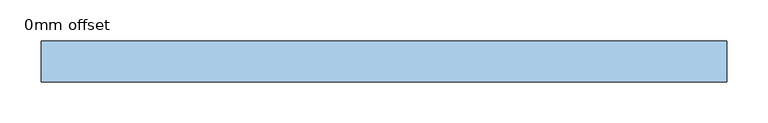
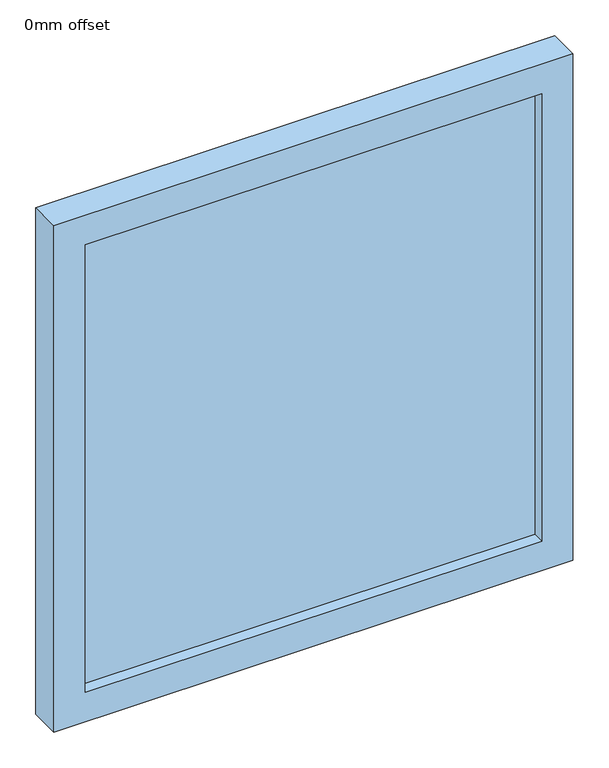
"""IFC4 building model written with IfcOpenShell, lengths in millimetres: window geometry, 0mm offset."""

from ifc_helpers import new_model, si_unit, frame, origin, place, context, project, spatial, polyline, outline, extrude, source, transform, mapped, element, save


def window_0mm_offset_91181af1(model_context):
    return source(origin(), model_context, "Body", "SweptSolid", [
        extrude(outline(polyline([(366.875, -30.95), (-366.875, -30.95), (-366.875, -18.25), (366.875, -18.25), (366.875, -30.95)])), frame((0.0, 0.0, 50.0), z_axis=(0.0, 0.0, 1.0), x_axis=(1.0, 0.0, 0.0)), (0.0, 0.0, 1.0), 760.0),
        extrude(outline(polyline([(860.0, -416.875), (0.0, -416.875), (0.0, 416.875), (860.0, 416.875), (860.0, -416.875)]), holes=[polyline([(810.0, -366.875), (810.0, 366.875), (50.0, 366.875), (50.0, -366.875), (810.0, -366.875)])]), frame((0.0, -50.0, 0.0), z_axis=(0.0, 1.0, 0.0), x_axis=(0.0, 0.0, 1.0)), (0.0, 0.0, 1.0), 50.0),
    ])


if __name__ == "__main__":
    model = new_model("IFC4")
    model_context = context("Model", 3, world=origin())
    ifc_project = project(units=[si_unit("LENGTHUNIT", "METRE", prefix="MILLI")], contexts=[model_context])
    site = spatial("IfcSite", under=ifc_project)
    building = spatial("IfcBuilding", under=site)
    placement = place(None, origin())
    window_0mm_offset_shape = window_0mm_offset_91181af1(model_context)
    element("IfcWindow", 1, ObjectType="0mm offset", at=placement, inside=building, context=model_context, shape_type="MappedRepresentation", body=[
        mapped(window_0mm_offset_shape, transform((0.0, 0.0, 0.0), x_axis=(1.0, 0.0, 0.0), y_axis=(0.0, 1.0, 0.0), z_axis=(0.0, 0.0, 1.0))),
    ])
    save(model, "model.ifc")
